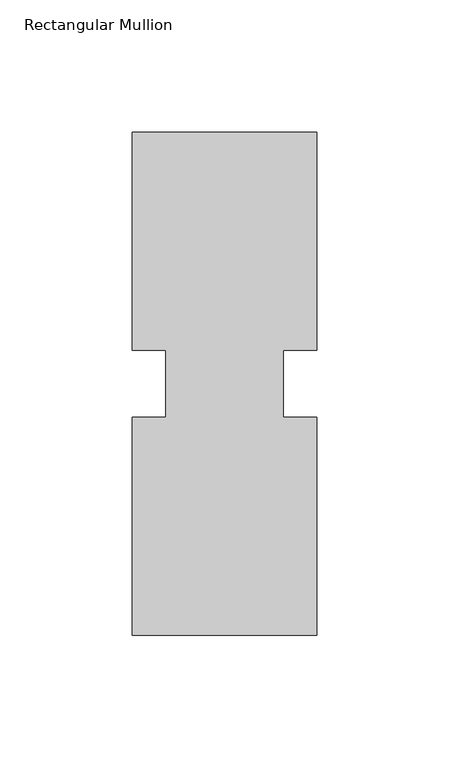
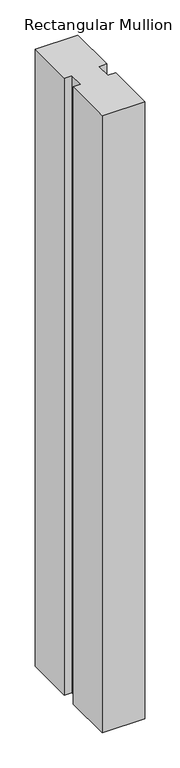
"""IFC4 building model written with IfcOpenShell, lengths in millimetres: member geometry, Rectangular Mullion."""

from ifc_helpers import new_model, si_unit, frame, origin, place, context, project, spatial, polyline, outline, extrude, source, transform, mapped, element, save


def rectangular_mullion_3ef62dcc(model_context):
    return source(origin(), model_context, "Body", "SweptSolid", [
        extrude(outline(polyline([(39.2594027, 95.25), (39.2594027, 12.7), (26.5576322, 12.7), (26.5576322, -12.7), (39.2594027, -12.7), (39.2594027, -95.25), (-30.5905973, -95.25), (-30.5905973, -12.7), (-17.8905973, -12.7), (-17.8905973, 12.7), (-30.5905973, 12.7), (-30.5905973, 95.25), (39.2594027, 95.25)])), frame((0.0, 0.0, -1071.1344027), z_axis=(0.0, 0.0, 1.0), x_axis=(1.0, 0.0, 0.0)), (0.0, 0.0, 1.0), 1071.1344027),
    ])


if __name__ == "__main__":
    model = new_model("IFC4")
    model_context = context("Model", 3, world=origin())
    ifc_project = project(units=[si_unit("LENGTHUNIT", "METRE", prefix="MILLI")], contexts=[model_context])
    site = spatial("IfcSite", under=ifc_project)
    building = spatial("IfcBuilding", under=site)
    placement = place(None, origin())
    rectangular_mullion_shape = rectangular_mullion_3ef62dcc(model_context)
    element("IfcMember", 1, ObjectType="Rectangular Mullion", at=placement, inside=building, context=model_context, shape_type="MappedRepresentation", body=[
        mapped(rectangular_mullion_shape, transform((0.0, 0.0, 0.0), x_axis=(1.0, 0.0, 0.0), y_axis=(0.0, 1.0, 0.0), z_axis=(0.0, 0.0, 1.0))),
    ])
    save(model, "model.ifc")
